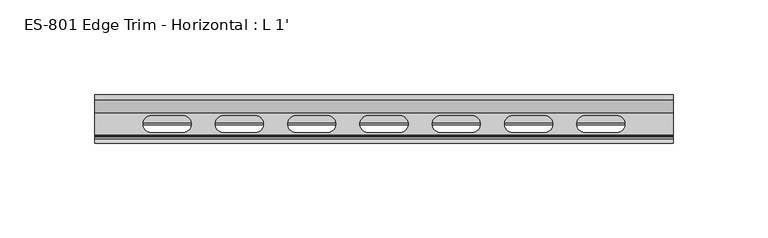
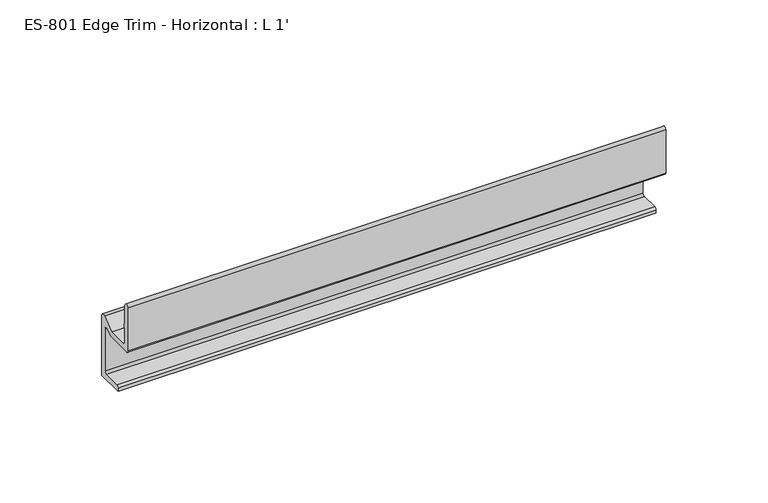
"""IFC4 building model written with IfcOpenShell, lengths in millimetres: proxy geometry, ES-801 Edge Trim - Horizontal : L 1'."""

from ifc_helpers import new_model, si_unit, frame, origin, place, context, project, spatial, polyline, circle_curve, source, transform, mapped, element, save
from ifc_brep_helpers import plane_surface, cylinder_surface, revolved_surface, advanced_brep


def es_801_edge_trim_horizontal_l_1_9632208b(model_context):
    return source(origin(), model_context, "Body", "AdvancedBrep", [
        advanced_brep(
        [(0.0, 12.5883601, 35.9309529), (0.0, 12.5883601, 0.0), (0.0, -3.2866399, 0.0), (0.0, -3.2866399, 1.9169779), (0.0, -2.0286178, 3.175), (0.0, 8.1433601, 3.175), (0.0, 9.4133601, 4.445), (0.0, 9.4133601, 29.8369941), (0.0, 7.0610838, 30.8643348), (0.0, 4.1308689, 28.575), (0.0, -11.5416399, 28.575), (0.0, -12.8116399, 29.845), (0.0, -12.8116399, 55.8392146), (0.0, -10.6104783, 56.7228204), (0.0, -9.6366399, 55.2344551), (0.0, -9.6366399, 45.72211), (0.0, -9.1794399, 43.1292), (0.0, -9.6366399, 40.53629), (0.0, -9.6366399, 33.02), (0.0, -8.3666399, 31.75), (0.0, 3.0376287, 31.75), (0.0, 10.0029786, 37.1919278), (304.8, 12.5883601, 35.9309529), (304.8, 10.0029786, 37.1919278), (304.8, 3.0376287, 31.75), (304.8, -8.3666399, 31.75), (304.8, -9.6366399, 33.02), (304.8, -9.6366399, 40.53629), (304.8, -9.1794399, 43.1292), (304.8, -9.6366399, 45.72211), (304.8, -9.6366399, 55.2344551), (304.8, -10.6104783, 56.7228204), (304.8, -12.8116399, 55.8392146), (304.8, -12.8116399, 29.845), (304.8, -11.5416399, 28.575), (304.8, 4.1308689, 28.575), (304.8, 7.0610838, 30.8643348), (304.8, 9.4133601, 29.8369941), (304.8, 9.4133601, 4.445), (304.8, 8.1433601, 3.175), (304.8, -2.0286178, 3.175), (304.8, -3.2866399, 1.9169779), (304.8, -3.2866399, 0.0), (304.8, 12.5883601, 0.0), (258.3737274, 1.572985, 31.75), (275.0216885, 1.572985, 31.75), (275.0216885, -7.158265, 31.75), (258.3737274, -7.158265, 31.75), (220.2737274, 1.572985, 31.75), (236.9216885, 1.572985, 31.75), (236.9216885, -7.158265, 31.75), (220.2737274, -7.158265, 31.75), (182.1737274, 1.572985, 31.75), (198.8216885, 1.572985, 31.75), (198.8216885, -7.158265, 31.75), (182.1737274, -7.158265, 31.75), (144.0737274, 1.572985, 31.75), (160.7216885, 1.572985, 31.75), (160.7216885, -7.158265, 31.75), (144.0737274, -7.158265, 31.75), (105.9737274, 1.572985, 31.75), (122.6216885, 1.572985, 31.75), (122.6216885, -7.158265, 31.75), (105.9737274, -7.158265, 31.75), (67.8737274, 1.572985, 31.75), (84.5216885, 1.572985, 31.75), (84.5216885, -7.158265, 31.75), (67.8737274, -7.158265, 31.75), (29.7737274, 1.572985, 31.75), (46.4216885, 1.572985, 31.75), (46.4216885, -7.158265, 31.75), (29.7737274, -7.158265, 31.75), (275.0216885, 1.572985, 28.575), (258.3737274, 1.572985, 28.575), (258.3737274, -7.158265, 28.575), (275.0216885, -7.158265, 28.575), (236.9216885, 1.572985, 28.575), (220.2737274, 1.572985, 28.575), (220.2737274, -7.158265, 28.575), (236.9216885, -7.158265, 28.575), (198.8216885, 1.572985, 28.575), (182.1737274, 1.572985, 28.575), (182.1737274, -7.158265, 28.575), (198.8216885, -7.158265, 28.575), (160.7216885, 1.572985, 28.575), (144.0737274, 1.572985, 28.575), (144.0737274, -7.158265, 28.575), (160.7216885, -7.158265, 28.575), (122.6216885, 1.572985, 28.575), (105.9737274, 1.572985, 28.575), (105.9737274, -7.158265, 28.575), (122.6216885, -7.158265, 28.575), (84.5216885, 1.572985, 28.575), (67.8737274, 1.572985, 28.575), (67.8737274, -7.158265, 28.575), (84.5216885, -7.158265, 28.575), (46.4216885, 1.572985, 28.575), (29.7737274, 1.572985, 28.575), (29.7737274, -7.158265, 28.575), (46.4216885, -7.158265, 28.575)],
        [
            (0, 1),
            (1, 2),
            (2, 3),
            (3, 4, circle_curve(frame((0.0, -2.0286178, 1.9169779), z_axis=(-1.0, 0.0, 0.0), x_axis=(0.0, 1.0, 0.0)), 1.2580221)),
            (4, 5),
            (5, 6, circle_curve(frame((0.0, 8.1433601, 4.445), z_axis=(1.0, 0.0, 0.0), x_axis=(0.0, 1.0, 0.0)), 1.27)),
            (6, 7),
            (7, 8, circle_curve(frame((0.0, 8.0128799, 29.8369941), z_axis=(1.0, 0.0, 0.0), x_axis=(0.0, 1.0, 0.0)), 1.4004802)),
            (8, 9),
            (9, 10),
            (10, 11, circle_curve(frame((0.0, -11.5416399, 29.845), z_axis=(-1.0, 0.0, 0.0), x_axis=(0.0, 1.0, 0.0)), 1.27)),
            (11, 12),
            (12, 13, circle_curve(frame((0.0, -11.5446507, 55.8664755), z_axis=(-1.0, 0.0, 0.0), x_axis=(0.0, 1.0, 0.0)), 1.2672824)),
            (13, 14),
            (14, 15),
            (15, 16),
            (16, 17),
            (17, 18),
            (18, 19, circle_curve(frame((0.0, -8.3666399, 33.02), z_axis=(1.0, 0.0, 0.0), x_axis=(0.0, 1.0, 0.0)), 1.27)),
            (19, 20),
            (20, 21),
            (21, 0, circle_curve(frame((0.0, 10.9881601, 35.9309529), z_axis=(-1.0, 0.0, 0.0), x_axis=(0.0, 1.0, 0.0)), 1.6002)),
            (22, 23, circle_curve(frame((304.8, 10.9881601, 35.9309529), z_axis=(1.0, 0.0, 0.0), x_axis=(0.0, 1.0, 0.0)), 1.6002)),
            (23, 24),
            (24, 25),
            (25, 26, circle_curve(frame((304.8, -8.3666399, 33.02), z_axis=(-1.0, 0.0, 0.0), x_axis=(0.0, 1.0, 0.0)), 1.27)),
            (26, 27),
            (27, 28),
            (28, 29),
            (29, 30),
            (30, 31),
            (31, 32, circle_curve(frame((304.8, -11.5446507, 55.8664755), z_axis=(1.0, 0.0, 0.0), x_axis=(0.0, 1.0, 0.0)), 1.2672824)),
            (32, 33),
            (33, 34, circle_curve(frame((304.8, -11.5416399, 29.845), z_axis=(1.0, 0.0, 0.0), x_axis=(0.0, 1.0, 0.0)), 1.27)),
            (34, 35),
            (35, 36),
            (36, 37, circle_curve(frame((304.8, 8.0128799, 29.8369941), z_axis=(-1.0, 0.0, 0.0), x_axis=(0.0, 1.0, 0.0)), 1.4004802)),
            (37, 38),
            (38, 39, circle_curve(frame((304.8, 8.1433601, 4.445), z_axis=(-1.0, 0.0, 0.0), x_axis=(0.0, 1.0, 0.0)), 1.27)),
            (39, 40),
            (40, 41, circle_curve(frame((304.8, -2.0286178, 1.9169779), z_axis=(1.0, 0.0, 0.0), x_axis=(0.0, 1.0, 0.0)), 1.2580221)),
            (41, 42),
            (42, 43),
            (43, 22),
            (0, 22),
            (43, 1),
            (21, 23),
            (20, 24),
            (19, 25),
            (44, 45),
            (45, 46, circle_curve(frame((275.0216885, -2.79264, 31.75), z_axis=(0.0, 0.0, -1.0), x_axis=(1.0, 0.0, 0.0)), 4.365625)),
            (46, 47),
            (47, 44, circle_curve(frame((258.3737274, -2.79264, 31.75), z_axis=(0.0, 0.0, -1.0), x_axis=(1.0, 0.0, 0.0)), 4.365625)),
            (48, 49),
            (49, 50, circle_curve(frame((236.9216885, -2.79264, 31.75), z_axis=(0.0, 0.0, -1.0), x_axis=(1.0, 0.0, 0.0)), 4.365625)),
            (50, 51),
            (51, 48, circle_curve(frame((220.2737274, -2.79264, 31.75), z_axis=(0.0, 0.0, -1.0), x_axis=(1.0, 0.0, 0.0)), 4.365625)),
            (52, 53),
            (53, 54, circle_curve(frame((198.8216885, -2.79264, 31.75), z_axis=(0.0, 0.0, -1.0), x_axis=(1.0, 0.0, 0.0)), 4.365625)),
            (54, 55),
            (55, 52, circle_curve(frame((182.1737274, -2.79264, 31.75), z_axis=(0.0, 0.0, -1.0), x_axis=(1.0, 0.0, 0.0)), 4.365625)),
            (56, 57),
            (57, 58, circle_curve(frame((160.7216885, -2.79264, 31.75), z_axis=(0.0, 0.0, -1.0), x_axis=(1.0, 0.0, 0.0)), 4.365625)),
            (58, 59),
            (59, 56, circle_curve(frame((144.0737274, -2.79264, 31.75), z_axis=(0.0, 0.0, -1.0), x_axis=(1.0, 0.0, 0.0)), 4.365625)),
            (60, 61),
            (61, 62, circle_curve(frame((122.6216885, -2.79264, 31.75), z_axis=(0.0, 0.0, -1.0), x_axis=(1.0, 0.0, 0.0)), 4.365625)),
            (62, 63),
            (63, 60, circle_curve(frame((105.9737274, -2.79264, 31.75), z_axis=(0.0, 0.0, -1.0), x_axis=(1.0, 0.0, 0.0)), 4.365625)),
            (64, 65),
            (65, 66, circle_curve(frame((84.5216885, -2.79264, 31.75), z_axis=(0.0, 0.0, -1.0), x_axis=(1.0, 0.0, 0.0)), 4.365625)),
            (66, 67),
            (67, 64, circle_curve(frame((67.8737274, -2.79264, 31.75), z_axis=(0.0, 0.0, -1.0), x_axis=(1.0, 0.0, 0.0)), 4.365625)),
            (68, 69),
            (69, 70, circle_curve(frame((46.4216885, -2.79264, 31.75), z_axis=(0.0, 0.0, -1.0), x_axis=(1.0, 0.0, 0.0)), 4.365625)),
            (70, 71),
            (71, 68, circle_curve(frame((29.7737274, -2.79264, 31.75), z_axis=(0.0, 0.0, -1.0), x_axis=(1.0, 0.0, 0.0)), 4.365625)),
            (18, 26),
            (17, 27),
            (16, 28),
            (15, 29),
            (14, 30),
            (13, 31),
            (12, 32),
            (11, 33),
            (10, 34),
            (9, 35),
            (72, 73),
            (73, 74, circle_curve(frame((258.3737274, -2.79264, 28.575), z_axis=(0.0, 0.0, 1.0), x_axis=(1.0, 0.0, 0.0)), 4.365625)),
            (74, 75),
            (75, 72, circle_curve(frame((275.0216885, -2.79264, 28.575), z_axis=(0.0, 0.0, 1.0), x_axis=(1.0, 0.0, 0.0)), 4.365625)),
            (76, 77),
            (77, 78, circle_curve(frame((220.2737274, -2.79264, 28.575), z_axis=(0.0, 0.0, 1.0), x_axis=(1.0, 0.0, 0.0)), 4.365625)),
            (78, 79),
            (79, 76, circle_curve(frame((236.9216885, -2.79264, 28.575), z_axis=(0.0, 0.0, 1.0), x_axis=(1.0, 0.0, 0.0)), 4.365625)),
            (80, 81),
            (81, 82, circle_curve(frame((182.1737274, -2.79264, 28.575), z_axis=(0.0, 0.0, 1.0), x_axis=(1.0, 0.0, 0.0)), 4.365625)),
            (82, 83),
            (83, 80, circle_curve(frame((198.8216885, -2.79264, 28.575), z_axis=(0.0, 0.0, 1.0), x_axis=(1.0, 0.0, 0.0)), 4.365625)),
            (84, 85),
            (85, 86, circle_curve(frame((144.0737274, -2.79264, 28.575), z_axis=(0.0, 0.0, 1.0), x_axis=(1.0, 0.0, 0.0)), 4.365625)),
            (86, 87),
            (87, 84, circle_curve(frame((160.7216885, -2.79264, 28.575), z_axis=(0.0, 0.0, 1.0), x_axis=(1.0, 0.0, 0.0)), 4.365625)),
            (88, 89),
            (89, 90, circle_curve(frame((105.9737274, -2.79264, 28.575), z_axis=(0.0, 0.0, 1.0), x_axis=(1.0, 0.0, 0.0)), 4.365625)),
            (90, 91),
            (91, 88, circle_curve(frame((122.6216885, -2.79264, 28.575), z_axis=(0.0, 0.0, 1.0), x_axis=(1.0, 0.0, 0.0)), 4.365625)),
            (92, 93),
            (93, 94, circle_curve(frame((67.8737274, -2.79264, 28.575), z_axis=(0.0, 0.0, 1.0), x_axis=(1.0, 0.0, 0.0)), 4.365625)),
            (94, 95),
            (95, 92, circle_curve(frame((84.5216885, -2.79264, 28.575), z_axis=(0.0, 0.0, 1.0), x_axis=(1.0, 0.0, 0.0)), 4.365625)),
            (96, 97),
            (97, 98, circle_curve(frame((29.7737274, -2.79264, 28.575), z_axis=(0.0, 0.0, 1.0), x_axis=(1.0, 0.0, 0.0)), 4.365625)),
            (98, 99),
            (99, 96, circle_curve(frame((46.4216885, -2.79264, 28.575), z_axis=(0.0, 0.0, 1.0), x_axis=(1.0, 0.0, 0.0)), 4.365625)),
            (8, 36),
            (7, 37),
            (6, 38),
            (5, 39),
            (4, 40),
            (3, 41),
            (2, 42),
            (72, 45),
            (44, 73),
            (74, 47),
            (46, 75),
            (76, 49),
            (48, 77),
            (78, 51),
            (50, 79),
            (80, 53),
            (52, 81),
            (82, 55),
            (54, 83),
            (84, 57),
            (56, 85),
            (86, 59),
            (58, 87),
            (88, 61),
            (60, 89),
            (90, 63),
            (62, 91),
            (92, 65),
            (64, 93),
            (94, 67),
            (66, 95),
            (96, 69),
            (68, 97),
            (98, 71),
            (70, 99),
        ],
        [
            plane_surface(frame((0.0, 12.5883601, 35.9309529), z_axis=(-1.0, 0.0, 0.0), x_axis=(0.0, 0.0, -1.0))),
            plane_surface(frame((304.8, 12.5883601, 35.9309529), z_axis=(1.0, 0.0, 0.0), x_axis=(0.0, 0.0, 1.0))),
            plane_surface(frame((304.8, 12.5883601, 0.0), z_axis=(0.0, 1.0, 0.0), x_axis=(-1.0, 0.0, 0.0))),
            cylinder_surface(frame((0.0, 10.9881601, 35.9309529), z_axis=(1.0, 0.0, 0.0), x_axis=(0.0, 1.0, 0.0)), 1.6002),
            plane_surface(frame((304.8, 10.0029786, 37.1919278), z_axis=(0.0, -0.6156614753248275, 0.788010753607371), x_axis=(-1.0, 0.0, 0.0))),
            plane_surface(frame((304.8, 3.0376287, 31.75), z_axis=(0.0, 0.0, 1.0), x_axis=(-1.0, 0.0, 0.0))),
            revolved_surface(polyline([(0.0, -7.0966399, 33.02), (304.8, -7.0966399, 33.02)]), (0.0, -8.3666399, 33.02), (-1.0, 0.0, 0.0)),
            plane_surface(frame((304.8, -9.6366399, 33.02), z_axis=(0.0, 1.0, 0.0), x_axis=(-1.0, 0.0, 0.0))),
            plane_surface(frame((304.8, -9.6366399, 40.53629), z_axis=(0.0, 0.9848077530122076, -0.173648177666934), x_axis=(-1.0, 0.0, 0.0))),
            plane_surface(frame((304.8, -9.1794399, 43.1292), z_axis=(0.0, 0.9848077530122084, 0.17364817766692867), x_axis=(-1.0, 0.0, 0.0))),
            plane_surface(frame((304.8, -9.6366399, 45.72211), z_axis=(0.0, 1.0, 0.0), x_axis=(-1.0, 0.0, 0.0))),
            plane_surface(frame((304.8, -9.6366399, 55.2344551), z_axis=(0.0, 0.8367953690289665, 0.5475157626696019), x_axis=(-1.0, 0.0, 0.0))),
            cylinder_surface(frame((0.0, -11.5446507, 55.8664755), z_axis=(1.0, 0.0, 0.0), x_axis=(0.0, 1.0, 0.0)), 1.2672824),
            plane_surface(frame((304.8, -12.8116399, 55.8392146), z_axis=(0.0, -1.0, 0.0), x_axis=(-1.0, 0.0, 0.0))),
            cylinder_surface(frame((0.0, -11.5416399, 29.845), z_axis=(1.0, 0.0, 0.0), x_axis=(0.0, 1.0, 0.0)), 1.27),
            plane_surface(frame((304.8, -11.5416399, 28.575), z_axis=(0.0, 0.0, -1.0), x_axis=(-1.0, 0.0, 0.0))),
            plane_surface(frame((304.8, 4.1308689, 28.575), z_axis=(0.0, 0.615661475325658, -0.7880107536067222), x_axis=(-1.0, 0.0, 0.0))),
            revolved_surface(polyline([(0.0, 9.4133601, 29.8369941), (304.8, 9.4133601, 29.8369941)]), (0.0, 8.0128799, 29.8369941), (-1.0, 0.0, 0.0)),
            plane_surface(frame((304.8, 9.4133601, 29.8369941), z_axis=(0.0, -1.0, 0.0), x_axis=(-1.0, 0.0, 0.0))),
            revolved_surface(polyline([(0.0, 9.4133601, 4.445), (304.8, 9.4133601, 4.445)]), (0.0, 8.1433601, 4.445), (-1.0, 0.0, 0.0)),
            plane_surface(frame((304.8, 8.1433601, 3.175), z_axis=(0.0, 0.0, 1.0), x_axis=(-1.0, 0.0, 0.0))),
            cylinder_surface(frame((0.0, -2.0286178, 1.9169779), z_axis=(1.0, 0.0, 0.0), x_axis=(0.0, 1.0, 0.0)), 1.2580221),
            plane_surface(frame((304.8, -3.2866399, 1.9169779), z_axis=(0.0, -1.0, 0.0), x_axis=(-1.0, 0.0, 0.0))),
            plane_surface(frame((304.8, -3.2866399, 0.0), z_axis=(0.0, 0.0, -1.0), x_axis=(-1.0, 0.0, 0.0))),
            plane_surface(frame((275.0216885, 1.572985, 35.4543688), z_axis=(0.0, -1.0, 0.0), x_axis=(0.0, 0.0, -1.0))),
            plane_surface(frame((258.3737274, -7.158265, 35.4543688), z_axis=(0.0, 1.0, 0.0), x_axis=(0.0, 0.0, -1.0))),
            revolved_surface(polyline([(262.73935240000003, -2.79264, 31.75), (262.73935240000003, -2.79264, 28.575)]), (258.3737274, -2.79264, 25.7024441), (0.0, 0.0, 1.0)),
            revolved_surface(polyline([(279.3873135, -2.79264, 31.75), (279.3873135, -2.79264, 28.575)]), (275.0216885, -2.79264, 25.7024441), (0.0, 0.0, 1.0)),
            plane_surface(frame((236.9216885, 1.572985, 35.4543688), z_axis=(0.0, -1.0, 0.0), x_axis=(0.0, 0.0, -1.0))),
            plane_surface(frame((220.2737274, -7.158265, 35.4543688), z_axis=(0.0, 1.0, 0.0), x_axis=(0.0, 0.0, -1.0))),
            revolved_surface(polyline([(224.6393524, -2.79264, 31.75), (224.6393524, -2.79264, 28.575)]), (220.2737274, -2.79264, 25.7024441), (0.0, 0.0, 1.0)),
            revolved_surface(polyline([(241.28731349999998, -2.79264, 31.75), (241.28731349999998, -2.79264, 28.575)]), (236.9216885, -2.79264, 25.7024441), (0.0, 0.0, 1.0)),
            plane_surface(frame((198.8216885, 1.572985, 35.4543688), z_axis=(0.0, -1.0, 0.0), x_axis=(0.0, 0.0, -1.0))),
            plane_surface(frame((182.1737274, -7.158265, 35.4543688), z_axis=(0.0, 1.0, 0.0), x_axis=(0.0, 0.0, -1.0))),
            revolved_surface(polyline([(186.53935239999998, -2.79264, 31.75), (186.53935239999998, -2.79264, 28.575)]), (182.1737274, -2.79264, 25.7024441), (0.0, 0.0, 1.0)),
            revolved_surface(polyline([(203.1873135, -2.79264, 31.75), (203.1873135, -2.79264, 28.575)]), (198.8216885, -2.79264, 25.7024441), (0.0, 0.0, 1.0)),
            plane_surface(frame((160.7216885, 1.572985, 35.4543688), z_axis=(0.0, -1.0, 0.0), x_axis=(0.0, 0.0, -1.0))),
            plane_surface(frame((144.0737274, -7.158265, 35.4543688), z_axis=(0.0, 1.0, 0.0), x_axis=(0.0, 0.0, -1.0))),
            revolved_surface(polyline([(148.4393524, -2.79264, 31.75), (148.4393524, -2.79264, 28.575)]), (144.0737274, -2.79264, 25.7024441), (0.0, 0.0, 1.0)),
            revolved_surface(polyline([(165.0873135, -2.79264, 31.75), (165.0873135, -2.79264, 28.575)]), (160.7216885, -2.79264, 25.7024441), (0.0, 0.0, 1.0)),
            plane_surface(frame((122.6216885, 1.572985, 35.4543688), z_axis=(0.0, -1.0, 0.0), x_axis=(0.0, 0.0, -1.0))),
            plane_surface(frame((105.9737274, -7.158265, 35.4543688), z_axis=(0.0, 1.0, 0.0), x_axis=(0.0, 0.0, -1.0))),
            revolved_surface(polyline([(110.3393524, -2.79264, 31.75), (110.3393524, -2.79264, 28.575)]), (105.9737274, -2.79264, 25.7024441), (0.0, 0.0, 1.0)),
            revolved_surface(polyline([(126.9873135, -2.79264, 31.75), (126.9873135, -2.79264, 28.575)]), (122.6216885, -2.79264, 25.7024441), (0.0, 0.0, 1.0)),
            plane_surface(frame((84.5216885, 1.572985, 35.4543688), z_axis=(0.0, -1.0, 0.0), x_axis=(0.0, 0.0, -1.0))),
            plane_surface(frame((67.8737274, -7.158265, 35.4543688), z_axis=(0.0, 1.0, 0.0), x_axis=(0.0, 0.0, -1.0))),
            revolved_surface(polyline([(72.2393524, -2.79264, 31.75), (72.2393524, -2.79264, 28.575)]), (67.8737274, -2.79264, 25.7024441), (0.0, 0.0, 1.0)),
            revolved_surface(polyline([(88.88731349999999, -2.79264, 31.75), (88.88731349999999, -2.79264, 28.575)]), (84.5216885, -2.79264, 25.7024441), (0.0, 0.0, 1.0)),
            plane_surface(frame((46.4216885, 1.572985, 35.4543688), z_axis=(0.0, -1.0, 0.0), x_axis=(0.0, 0.0, -1.0))),
            plane_surface(frame((29.7737274, -7.158265, 35.4543688), z_axis=(0.0, 1.0, 0.0), x_axis=(0.0, 0.0, -1.0))),
            revolved_surface(polyline([(34.1393524, -2.79264, 31.75), (34.1393524, -2.79264, 28.575)]), (29.7737274, -2.79264, 25.7024441), (0.0, 0.0, 1.0)),
            revolved_surface(polyline([(50.7873135, -2.79264, 31.75), (50.7873135, -2.79264, 28.575)]), (46.4216885, -2.79264, 25.7024441), (0.0, 0.0, 1.0)),
        ],
        [
            (0, [[1, 2, 3, 4, 5, 6, 7, 8, 9, 10, 11, 12, 13, 14, 15, 16, 17, 18, 19, 20, 21, 22]]),
            (1, [[23, 24, 25, 26, 27, 28, 29, 30, 31, 32, 33, 34, 35, 36, 37, 38, 39, 40, 41, 42, 43, 44]]),
            (2, [[-1, 45, -44, 46]]),
            (3, [[-22, 47, -23, -45]]),
            (4, [[-21, 48, -24, -47]]),
            (5, [[-20, 49, -25, -48], [50, 51, 52, 53], [54, 55, 56, 57], [58, 59, 60, 61], [62, 63, 64, 65], [66, 67, 68, 69], [70, 71, 72, 73], [74, 75, 76, 77]]),
            (6, [[-19, 78, -26, -49]]),
            (7, [[-18, 79, -27, -78]]),
            (8, [[-17, 80, -28, -79]]),
            (9, [[-16, 81, -29, -80]]),
            (10, [[-15, 82, -30, -81]]),
            (11, [[-14, 83, -31, -82]]),
            (12, [[-13, 84, -32, -83]]),
            (13, [[-12, 85, -33, -84]]),
            (14, [[-11, 86, -34, -85]]),
            (15, [[-10, 87, -35, -86], [88, 89, 90, 91], [92, 93, 94, 95], [96, 97, 98, 99], [100, 101, 102, 103], [104, 105, 106, 107], [108, 109, 110, 111], [112, 113, 114, 115]]),
            (16, [[-9, 116, -36, -87]]),
            (17, [[-8, 117, -37, -116]]),
            (18, [[-7, 118, -38, -117]]),
            (19, [[-6, 119, -39, -118]]),
            (20, [[-5, 120, -40, -119]]),
            (21, [[-4, 121, -41, -120]]),
            (22, [[-3, 122, -42, -121]]),
            (23, [[-2, -46, -43, -122]]),
            (24, [[123, -50, 124, -88]]),
            (25, [[125, -52, 126, -90]]),
            (26, [[-125, -89, -124, -53]]),
            (27, [[-123, -91, -126, -51]]),
            (28, [[127, -54, 128, -92]]),
            (29, [[129, -56, 130, -94]]),
            (30, [[-129, -93, -128, -57]]),
            (31, [[-127, -95, -130, -55]]),
            (32, [[131, -58, 132, -96]]),
            (33, [[133, -60, 134, -98]]),
            (34, [[-133, -97, -132, -61]]),
            (35, [[-131, -99, -134, -59]]),
            (36, [[135, -62, 136, -100]]),
            (37, [[137, -64, 138, -102]]),
            (38, [[-137, -101, -136, -65]]),
            (39, [[-135, -103, -138, -63]]),
            (40, [[139, -66, 140, -104]]),
            (41, [[141, -68, 142, -106]]),
            (42, [[-141, -105, -140, -69]]),
            (43, [[-139, -107, -142, -67]]),
            (44, [[143, -70, 144, -108]]),
            (45, [[145, -72, 146, -110]]),
            (46, [[-145, -109, -144, -73]]),
            (47, [[-143, -111, -146, -71]]),
            (48, [[147, -74, 148, -112]]),
            (49, [[149, -76, 150, -114]]),
            (50, [[-149, -113, -148, -77]]),
            (51, [[-147, -115, -150, -75]]),
        ],
    ),
    ])


if __name__ == "__main__":
    model = new_model("IFC4")
    model_context = context("Model", 3, world=origin())
    ifc_project = project(units=[si_unit("LENGTHUNIT", "METRE", prefix="MILLI")], contexts=[model_context])
    site = spatial("IfcSite", under=ifc_project)
    building = spatial("IfcBuilding", under=site)
    placement = place(None, origin())
    es_801_edge_trim_horizontal_l_1_shape = es_801_edge_trim_horizontal_l_1_9632208b(model_context)
    element("IfcBuildingElementProxy", 1, Name="ES-801 Edge Trim - Horizontal : L 1'", ObjectType="ES-801 Edge Trim - Horizontal : L 1'", at=placement, inside=building, context=model_context, shape_type="MappedRepresentation", body=[
        mapped(es_801_edge_trim_horizontal_l_1_shape, transform((0.0, 0.0, 0.0), x_axis=(1.0, 0.0, 0.0), y_axis=(0.0, 1.0, 0.0), z_axis=(0.0, 0.0, 1.0))),
    ])
    save(model, "model.ifc")
